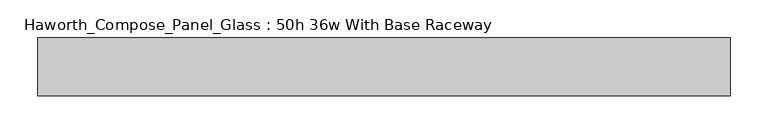
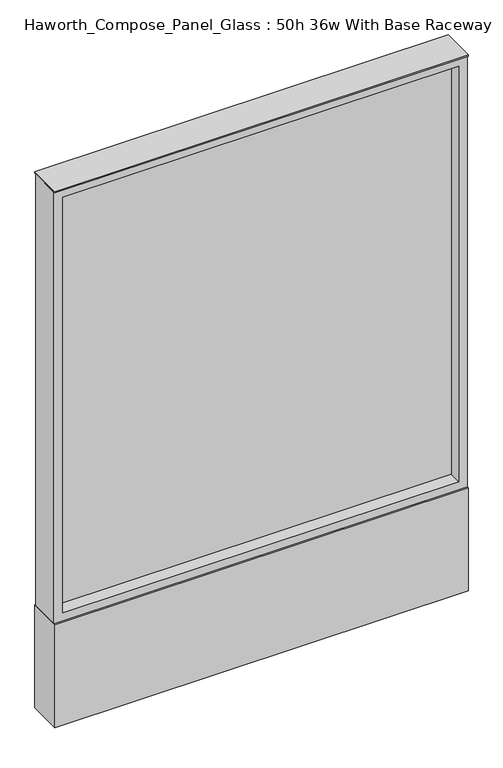
"""IFC4 building model written with IfcOpenShell, lengths in millimetres: furniture geometry, Haworth_Compose_Panel_Glass : 50h 36w With Base Raceway."""

from ifc_helpers import new_model, si_unit, point, frame, frame_2d, origin, origin_with_axes, place, context, project, spatial, polyline, circle_curve, trimmed, segment, composite_curve, outline, extrude, source, transform, mapped, element, save


def haworth_compose_panel_glass_50h_36w_with_base_raceway_bd0d66cb(model_context):
    return source(origin(), model_context, "Body", "SweptSolid", [
        extrude(outline(composite_curve([segment(trimmed(circle_curve(frame_2d((383.4402902, 0.0)), 12.7), [point((370.7402902, 0.0))], [point((396.1402902, 0.0))], False, "CARTESIAN"), True, "CONTINUOUS"), segment(trimmed(circle_curve(frame_2d((383.4402902, 0.0)), 12.7), [point((396.1402902, 0.0))], [point((370.7402902, 0.0))], False, "CARTESIAN"), True, "CONTINUOUS")], self_intersect=False)), origin_with_axes(), (0.0, 0.0, 1.0), 12.7),
        extrude(outline(composite_curve([segment(trimmed(circle_curve(frame_2d((-378.5597098, 0.0)), 12.7), [point((-391.2597098, 0.0))], [point((-365.8597098, 0.0))], False, "CARTESIAN"), True, "CONTINUOUS"), segment(trimmed(circle_curve(frame_2d((-378.5597098, 0.0)), 12.7), [point((-365.8597098, 0.0))], [point((-391.2597098, 0.0))], False, "CARTESIAN"), True, "CONTINUOUS")], self_intersect=False)), origin_with_axes(), (0.0, 0.0, 1.0), 12.7),
        extrude(outline(polyline([(440.5902902, -6.35), (-435.7097098, -6.35), (-435.7097098, 6.35), (440.5902902, 6.35), (440.5902902, -6.35)])), frame((0.0, 0.0, 273.05), z_axis=(0.0, 0.0, 1.0), x_axis=(1.0, 0.0, 0.0)), (0.0, 0.0, 1.0), 971.55),
        extrude(outline(polyline([(1263.65, -454.7597098), (254.0, -454.7597098), (254.0, 459.6402902), (1263.65, 459.6402902), (1263.65, -454.7597098)]), holes=[polyline([(1244.6, 440.5902902), (273.05, 440.5902902), (273.05, -435.7097098), (1244.6, -435.7097098), (1244.6, 440.5902902)])]), frame((0.0, -34.925, 0.0), z_axis=(0.0, 1.0, 0.0), x_axis=(0.0, 0.0, 1.0)), (0.0, 0.0, 1.0), 69.85),
        extrude(outline(polyline([(-454.7597098, 38.1), (459.6402902, 38.1), (459.6402902, -38.1), (-454.7597098, -38.1), (-454.7597098, 38.1)])), frame((0.0, 0.0, 12.7), z_axis=(0.0, 0.0, 1.0), x_axis=(1.0, 0.0, 0.0)), (0.0, 0.0, 1.0), 241.3),
        extrude(outline(polyline([(-454.7597098, -38.1), (-454.7597098, 38.1), (459.6402902, 38.1), (459.6402902, -38.1), (-454.7597098, -38.1)])), frame((0.0, 0.0, 1263.65), z_axis=(0.0, 0.0, 1.0), x_axis=(1.0, 0.0, 0.0)), (0.0, 0.0, 1.0), 3.175),
    ])


if __name__ == "__main__":
    model = new_model("IFC4")
    model_context = context("Model", 3, world=origin())
    ifc_project = project(units=[si_unit("LENGTHUNIT", "METRE", prefix="MILLI")], contexts=[model_context])
    site = spatial("IfcSite", under=ifc_project)
    building = spatial("IfcBuilding", under=site)
    placement = place(None, origin())
    haworth_compose_panel_glass_50h_36w_with_base_raceway_shape = haworth_compose_panel_glass_50h_36w_with_base_raceway_bd0d66cb(model_context)
    element("IfcFurniture", 1, ObjectType="Haworth_Compose_Panel_Glass : 50h 36w With Base Raceway", at=placement, inside=building, context=model_context, shape_type="MappedRepresentation", body=[
        mapped(haworth_compose_panel_glass_50h_36w_with_base_raceway_shape, transform((0.0, 0.0, 0.0), x_axis=(1.0, 0.0, 0.0), y_axis=(0.0, 1.0, 0.0), z_axis=(0.0, 0.0, 1.0))),
    ])
    save(model, "model.ifc")
